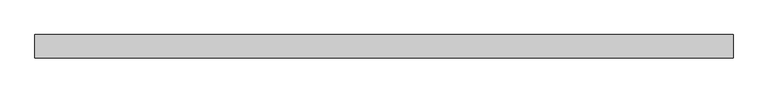
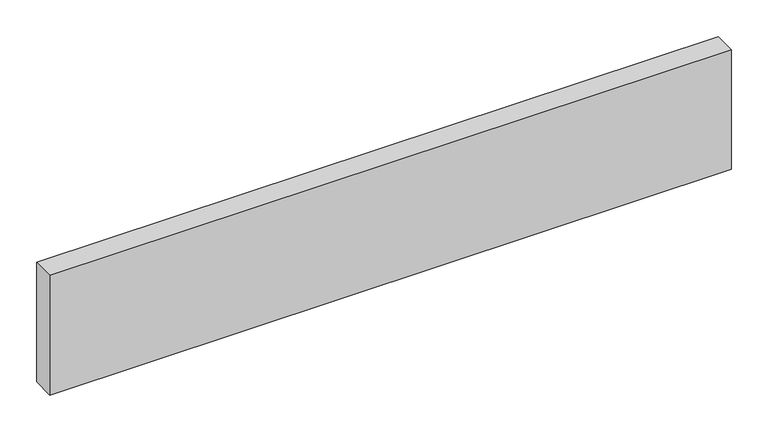
"""IFC4 building model written with IfcOpenShell, lengths in millimetres: beam geometry."""

import ifcopenshell
import ifcopenshell.guid

model = None  # the IFC model being written
_history = None  # IfcOwnerHistory: only IFC2X3 demands one
_inside = {}  # id of a spatial element -> (the spatial element, [elements in it])
_under = {}  # id of a project, library or spatial element -> (it, [spatial elements below it])
_declared = {}  # id of a project -> (the project, [libraries it declares])
_typed = {}  # id of a type object -> (the type object, [elements of that type])
_made_of = {}  # id of a material, layer set ... -> (it, [elements and type objects made of it])


def new_model(schema):
    """Start an empty IFC model of exactly this schema.

    Asked for "IFC4X3", IfcOpenShell would pick the latest addendum, in which some entities
    have other attributes; the version numbers below select the first issue.
    IFC2X3 requires an IfcOwnerHistory on every rooted entity: one is made here for all.
    """
    global model, _history
    if schema == "IFC4X3":
        model = ifcopenshell.file(schema_version=(4, 3, 0, 0))
    else:
        model = ifcopenshell.file(schema=schema)
    _inside.clear()
    _under.clear()
    _declared.clear()
    _typed.clear()
    _made_of.clear()
    _history = None
    if model.schema == "IFC2X3":
        org = make("IfcOrganization", Name="unknown")
        user = make(
            "IfcPersonAndOrganization",
            ThePerson=make("IfcPerson", FamilyName="unknown"),
            TheOrganization=org,
        )
        app = make(
            "IfcApplication",
            ApplicationDeveloper=org,
            Version="unknown",
            ApplicationFullName="unknown",
            ApplicationIdentifier="unknown",
        )
        _history = make(
            "IfcOwnerHistory",
            OwningUser=user,
            OwningApplication=app,
            ChangeAction="ADDED",
            CreationDate=0,
        )
    return model


def make(cls, **values):
    """One entity of the class cls with the attributes given. An attribute that is None is left unset."""
    return model.create_entity(
        cls, **{name: value for name, value in values.items() if value is not None}
    )


def rooted(cls, **values):
    """An entity with a GlobalId (a new one), such as an element, a storey or a relation."""
    return make(cls, GlobalId=ifcopenshell.guid.new(), OwnerHistory=_history, **values)


def si_unit(unit_type, name, prefix=None):
    """IfcSIUnit, for example si_unit("LENGTHUNIT", "METRE", prefix="MILLI")."""
    return make("IfcSIUnit", UnitType=unit_type, Prefix=prefix, Name=name)


def assignment(units):
    """IfcUnitAssignment: the units of a project."""
    return None if units is None else make("IfcUnitAssignment", Units=units)


def point(xyz):
    """IfcCartesianPoint."""
    return None if xyz is None else make("IfcCartesianPoint", Coordinates=xyz)


def direction(xyz):
    """IfcDirection."""
    return None if xyz is None else make("IfcDirection", DirectionRatios=xyz)


def frame(location, z_axis=None, x_axis=None):
    """IfcAxis2Placement3D, a coordinate frame: its origin and axes. An axis left out is left unset."""
    return make(
        "IfcAxis2Placement3D",
        Location=point(location),
        Axis=direction(z_axis),
        RefDirection=direction(x_axis),
    )


def origin():
    """The frame at (0, 0, 0) with its axes left unset."""
    return frame((0.0, 0.0, 0.0))


def place(relative_to, where):
    """IfcLocalPlacement: puts the frame where relative to a parent placement (None: the world)."""
    return make(
        "IfcLocalPlacement", PlacementRelTo=relative_to, RelativePlacement=where
    )


def context(
    kind, dimensions, precision=None, world=None, true_north=None, identifier=None
):
    """IfcGeometricRepresentationContext, for example the 3D "Model" context."""
    return make(
        "IfcGeometricRepresentationContext",
        ContextIdentifier=identifier,
        ContextType=kind,
        CoordinateSpaceDimension=dimensions,
        Precision=precision,
        WorldCoordinateSystem=world,
        TrueNorth=true_north,
    )


def project(units=None, contexts=None):
    """IfcProject with its units and contexts."""
    return rooted(
        "IfcProject",
        Name="project",
        RepresentationContexts=contexts,
        UnitsInContext=assignment(units),
    )


def spatial(cls, under=None, at=None, **own):
    """A site, building, storey or space (cls), placed at a placement, below another one or the project."""
    s = rooted(cls, ObjectPlacement=at, **own)
    if under is not None:
        _under.setdefault(under.id(), (under, []))[1].append(s)
    return s


def polyline(points):
    """IfcPolyline through the points."""
    return make("IfcPolyline", Points=[point(p) for p in points])


def outline(outer, holes=None, kind="AREA"):
    """IfcArbitraryClosedProfileDef: a profile drawn as a closed curve; with holes, ...WithVoids."""
    if holes is None:
        return make("IfcArbitraryClosedProfileDef", ProfileType=kind, OuterCurve=outer)
    return make(
        "IfcArbitraryProfileDefWithVoids",
        ProfileType=kind,
        OuterCurve=outer,
        InnerCurves=holes,
    )


def extrude(swept, where, along, depth):
    """IfcExtrudedAreaSolid: the profile swept, set in the frame where, extruded along a direction by depth."""
    return make(
        "IfcExtrudedAreaSolid",
        SweptArea=swept,
        Position=where,
        ExtrudedDirection=direction(along),
        Depth=depth,
    )


def shape(context_of_items, identifier, shape_type, items):
    """IfcShapeRepresentation: the items that make up one representation, for example the "Body"."""
    return make(
        "IfcShapeRepresentation",
        ContextOfItems=context_of_items,
        RepresentationIdentifier=identifier,
        RepresentationType=shape_type,
        Items=items,
    )


def source(mapping_origin, context_of_items, identifier, shape_type, items):
    """IfcRepresentationMap: a shape defined once, which mapped items show again and again."""
    return make(
        "IfcRepresentationMap",
        MappingOrigin=mapping_origin,
        MappedRepresentation=shape(context_of_items, identifier, shape_type, items),
    )


def transform(
    local_origin,
    x_axis=None,
    y_axis=None,
    z_axis=None,
    scale=None,
    scale2=None,
    scale3=None,
    uniform=True,
):
    """IfcCartesianTransformationOperator3D, or its non-uniform kind. x_axis, y_axis, z_axis: its Axis1, 2, 3."""
    if uniform:
        return make(
            "IfcCartesianTransformationOperator3D",
            Axis1=direction(x_axis),
            Axis2=direction(y_axis),
            LocalOrigin=point(local_origin),
            Scale=scale,
            Axis3=direction(z_axis),
        )
    return make(
        "IfcCartesianTransformationOperator3DnonUniform",
        Axis1=direction(x_axis),
        Axis2=direction(y_axis),
        LocalOrigin=point(local_origin),
        Scale=scale,
        Axis3=direction(z_axis),
        Scale2=scale2,
        Scale3=scale3,
    )


def mapped(mapping_source, mapping_target):
    """IfcMappedItem: shows the shape of a source again, moved by a transform."""
    return make(
        "IfcMappedItem", MappingSource=mapping_source, MappingTarget=mapping_target
    )


def made_of(thing, what):
    """Note that an element or type object is made of a material, layer set ...; save() writes the relation."""
    if what is not None:
        _made_of.setdefault(what.id(), (what, []))[1].append(thing)
    return thing


def element(
    cls,
    number,
    at=None,
    inside=None,
    cuts=None,
    type_object=None,
    material=None,
    context=None,
    identifier="Body",
    shape_type=None,
    held_by="IfcProductDefinitionShape",
    body=None,
    shapes=None,
    **own,
):
    """One element of the class cls, such as IfcWall. Its Tag is "e" and its number.

    at: its placement. inside: the storey or other place that contains it. cuts: it is an
    opening in that element (IfcRelVoidsElement). A single representation is given by context,
    identifier, shape_type and body (its items); several are given by shapes. held_by: the class
    of the entity that holds the representations. save() writes the other relations.
    """
    e = rooted(cls, Tag="e%d" % number, ObjectPlacement=at, **own)
    if body is not None:
        shapes = [shape(context, identifier, shape_type, body)]
    if shapes is not None:
        e.Representation = make(held_by, Representations=shapes)
    if inside is not None:
        _inside.setdefault(inside.id(), (inside, []))[1].append(e)
    if cuts is not None:
        rooted(
            "IfcRelVoidsElement", RelatingBuildingElement=cuts, RelatedOpeningElement=e
        )
    if type_object is not None:
        _typed.setdefault(type_object.id(), (type_object, []))[1].append(e)
    return made_of(e, material)


def aggregate(whole, parts):
    """IfcRelAggregates: a whole, such as a stair, and the parts it consists of."""
    return rooted("IfcRelAggregates", RelatingObject=whole, RelatedObjects=parts)


def save(model, path):
    """Write the relations noted so far, then the file.

    IfcRelAggregates (storeys below a building ...), IfcRelContainedInSpatialStructure (elements
    in a storey), IfcRelDefinesByType, IfcRelAssociatesMaterial and IfcRelDeclares: one each for
    every whole, place, type object, material and project.
    """
    for whole, parts in _under.values():
        aggregate(whole, parts)
    for where, things in _inside.values():
        rooted(
            "IfcRelContainedInSpatialStructure",
            RelatedElements=things,
            RelatingStructure=where,
        )
    for kind, things in _typed.values():
        rooted("IfcRelDefinesByType", RelatedObjects=things, RelatingType=kind)
    for what, things in _made_of.values():
        rooted("IfcRelAssociatesMaterial", RelatedObjects=things, RelatingMaterial=what)
    for by, libraries in _declared.values():
        rooted("IfcRelDeclares", RelatingContext=by, RelatedDefinitions=libraries)
    model.write(path)


def beam_29030078(model_context):
    return source(origin(), model_context, "Body", "SweptSolid", [
        extrude(outline(polyline([(539.0, -18.0), (-539.0, -18.0), (-539.0, 18.0), (539.0, 18.0), (539.0, -18.0)])), frame((0.0, 0.0, -100.0), z_axis=(0.0, 0.0, 1.0), x_axis=(1.0, 0.0, 0.0)), (0.0, 0.0, 1.0), 200.0),
    ])


if __name__ == "__main__":
    model = new_model("IFC4")
    model_context = context("Model", 3, world=origin())
    ifc_project = project(units=[si_unit("LENGTHUNIT", "METRE", prefix="MILLI")], contexts=[model_context])
    site = spatial("IfcSite", under=ifc_project)
    building = spatial("IfcBuilding", under=site)
    placement = place(None, origin())
    beam_shape = beam_29030078(model_context)
    element("IfcBeam", 1, at=placement, inside=building, context=model_context, shape_type="MappedRepresentation", body=[
        mapped(beam_shape, transform((0.0, 0.0, 0.0), x_axis=(1.0, 0.0, 0.0), y_axis=(0.0, 1.0, 0.0), z_axis=(0.0, 0.0, 1.0))),
    ])
    save(model, "model.ifc")
